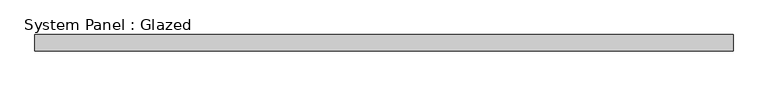
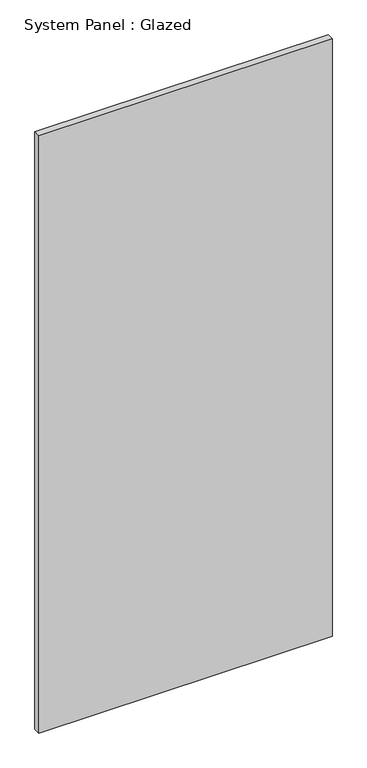
"""IFC4 building model written with IfcOpenShell, lengths in millimetres: plate geometry, System Panel : Glazed."""

import ifcopenshell
import ifcopenshell.guid

model = None  # the IFC model being written
_history = None  # IfcOwnerHistory: only IFC2X3 demands one
_inside = {}  # id of a spatial element -> (the spatial element, [elements in it])
_under = {}  # id of a project, library or spatial element -> (it, [spatial elements below it])
_declared = {}  # id of a project -> (the project, [libraries it declares])
_typed = {}  # id of a type object -> (the type object, [elements of that type])
_made_of = {}  # id of a material, layer set ... -> (it, [elements and type objects made of it])


def new_model(schema):
    """Start an empty IFC model of exactly this schema.

    Asked for "IFC4X3", IfcOpenShell would pick the latest addendum, in which some entities
    have other attributes; the version numbers below select the first issue.
    IFC2X3 requires an IfcOwnerHistory on every rooted entity: one is made here for all.
    """
    global model, _history
    if schema == "IFC4X3":
        model = ifcopenshell.file(schema_version=(4, 3, 0, 0))
    else:
        model = ifcopenshell.file(schema=schema)
    _inside.clear()
    _under.clear()
    _declared.clear()
    _typed.clear()
    _made_of.clear()
    _history = None
    if model.schema == "IFC2X3":
        org = make("IfcOrganization", Name="unknown")
        user = make(
            "IfcPersonAndOrganization",
            ThePerson=make("IfcPerson", FamilyName="unknown"),
            TheOrganization=org,
        )
        app = make(
            "IfcApplication",
            ApplicationDeveloper=org,
            Version="unknown",
            ApplicationFullName="unknown",
            ApplicationIdentifier="unknown",
        )
        _history = make(
            "IfcOwnerHistory",
            OwningUser=user,
            OwningApplication=app,
            ChangeAction="ADDED",
            CreationDate=0,
        )
    return model


def make(cls, **values):
    """One entity of the class cls with the attributes given. An attribute that is None is left unset."""
    return model.create_entity(
        cls, **{name: value for name, value in values.items() if value is not None}
    )


def rooted(cls, **values):
    """An entity with a GlobalId (a new one), such as an element, a storey or a relation."""
    return make(cls, GlobalId=ifcopenshell.guid.new(), OwnerHistory=_history, **values)


def si_unit(unit_type, name, prefix=None):
    """IfcSIUnit, for example si_unit("LENGTHUNIT", "METRE", prefix="MILLI")."""
    return make("IfcSIUnit", UnitType=unit_type, Prefix=prefix, Name=name)


def assignment(units):
    """IfcUnitAssignment: the units of a project."""
    return None if units is None else make("IfcUnitAssignment", Units=units)


def point(xyz):
    """IfcCartesianPoint."""
    return None if xyz is None else make("IfcCartesianPoint", Coordinates=xyz)


def direction(xyz):
    """IfcDirection."""
    return None if xyz is None else make("IfcDirection", DirectionRatios=xyz)


def frame(location, z_axis=None, x_axis=None):
    """IfcAxis2Placement3D, a coordinate frame: its origin and axes. An axis left out is left unset."""
    return make(
        "IfcAxis2Placement3D",
        Location=point(location),
        Axis=direction(z_axis),
        RefDirection=direction(x_axis),
    )


def origin():
    """The frame at (0, 0, 0) with its axes left unset."""
    return frame((0.0, 0.0, 0.0))


def origin_with_axes():
    """The frame at (0, 0, 0) with the z axis (0, 0, 1) and the x axis (1, 0, 0) written out."""
    return frame((0.0, 0.0, 0.0), z_axis=(0.0, 0.0, 1.0), x_axis=(1.0, 0.0, 0.0))


def place(relative_to, where):
    """IfcLocalPlacement: puts the frame where relative to a parent placement (None: the world)."""
    return make(
        "IfcLocalPlacement", PlacementRelTo=relative_to, RelativePlacement=where
    )


def context(
    kind, dimensions, precision=None, world=None, true_north=None, identifier=None
):
    """IfcGeometricRepresentationContext, for example the 3D "Model" context."""
    return make(
        "IfcGeometricRepresentationContext",
        ContextIdentifier=identifier,
        ContextType=kind,
        CoordinateSpaceDimension=dimensions,
        Precision=precision,
        WorldCoordinateSystem=world,
        TrueNorth=true_north,
    )


def project(units=None, contexts=None):
    """IfcProject with its units and contexts."""
    return rooted(
        "IfcProject",
        Name="project",
        RepresentationContexts=contexts,
        UnitsInContext=assignment(units),
    )


def spatial(cls, under=None, at=None, **own):
    """A site, building, storey or space (cls), placed at a placement, below another one or the project."""
    s = rooted(cls, ObjectPlacement=at, **own)
    if under is not None:
        _under.setdefault(under.id(), (under, []))[1].append(s)
    return s


def polyline(points):
    """IfcPolyline through the points."""
    return make("IfcPolyline", Points=[point(p) for p in points])


def outline(outer, holes=None, kind="AREA"):
    """IfcArbitraryClosedProfileDef: a profile drawn as a closed curve; with holes, ...WithVoids."""
    if holes is None:
        return make("IfcArbitraryClosedProfileDef", ProfileType=kind, OuterCurve=outer)
    return make(
        "IfcArbitraryProfileDefWithVoids",
        ProfileType=kind,
        OuterCurve=outer,
        InnerCurves=holes,
    )


def extrude(swept, where, along, depth):
    """IfcExtrudedAreaSolid: the profile swept, set in the frame where, extruded along a direction by depth."""
    return make(
        "IfcExtrudedAreaSolid",
        SweptArea=swept,
        Position=where,
        ExtrudedDirection=direction(along),
        Depth=depth,
    )


def shape(context_of_items, identifier, shape_type, items):
    """IfcShapeRepresentation: the items that make up one representation, for example the "Body"."""
    return make(
        "IfcShapeRepresentation",
        ContextOfItems=context_of_items,
        RepresentationIdentifier=identifier,
        RepresentationType=shape_type,
        Items=items,
    )


def source(mapping_origin, context_of_items, identifier, shape_type, items):
    """IfcRepresentationMap: a shape defined once, which mapped items show again and again."""
    return make(
        "IfcRepresentationMap",
        MappingOrigin=mapping_origin,
        MappedRepresentation=shape(context_of_items, identifier, shape_type, items),
    )


def transform(
    local_origin,
    x_axis=None,
    y_axis=None,
    z_axis=None,
    scale=None,
    scale2=None,
    scale3=None,
    uniform=True,
):
    """IfcCartesianTransformationOperator3D, or its non-uniform kind. x_axis, y_axis, z_axis: its Axis1, 2, 3."""
    if uniform:
        return make(
            "IfcCartesianTransformationOperator3D",
            Axis1=direction(x_axis),
            Axis2=direction(y_axis),
            LocalOrigin=point(local_origin),
            Scale=scale,
            Axis3=direction(z_axis),
        )
    return make(
        "IfcCartesianTransformationOperator3DnonUniform",
        Axis1=direction(x_axis),
        Axis2=direction(y_axis),
        LocalOrigin=point(local_origin),
        Scale=scale,
        Axis3=direction(z_axis),
        Scale2=scale2,
        Scale3=scale3,
    )


def mapped(mapping_source, mapping_target):
    """IfcMappedItem: shows the shape of a source again, moved by a transform."""
    return make(
        "IfcMappedItem", MappingSource=mapping_source, MappingTarget=mapping_target
    )


def made_of(thing, what):
    """Note that an element or type object is made of a material, layer set ...; save() writes the relation."""
    if what is not None:
        _made_of.setdefault(what.id(), (what, []))[1].append(thing)
    return thing


def element(
    cls,
    number,
    at=None,
    inside=None,
    cuts=None,
    type_object=None,
    material=None,
    context=None,
    identifier="Body",
    shape_type=None,
    held_by="IfcProductDefinitionShape",
    body=None,
    shapes=None,
    **own,
):
    """One element of the class cls, such as IfcWall. Its Tag is "e" and its number.

    at: its placement. inside: the storey or other place that contains it. cuts: it is an
    opening in that element (IfcRelVoidsElement). A single representation is given by context,
    identifier, shape_type and body (its items); several are given by shapes. held_by: the class
    of the entity that holds the representations. save() writes the other relations.
    """
    e = rooted(cls, Tag="e%d" % number, ObjectPlacement=at, **own)
    if body is not None:
        shapes = [shape(context, identifier, shape_type, body)]
    if shapes is not None:
        e.Representation = make(held_by, Representations=shapes)
    if inside is not None:
        _inside.setdefault(inside.id(), (inside, []))[1].append(e)
    if cuts is not None:
        rooted(
            "IfcRelVoidsElement", RelatingBuildingElement=cuts, RelatedOpeningElement=e
        )
    if type_object is not None:
        _typed.setdefault(type_object.id(), (type_object, []))[1].append(e)
    return made_of(e, material)


def aggregate(whole, parts):
    """IfcRelAggregates: a whole, such as a stair, and the parts it consists of."""
    return rooted("IfcRelAggregates", RelatingObject=whole, RelatedObjects=parts)


def save(model, path):
    """Write the relations noted so far, then the file.

    IfcRelAggregates (storeys below a building ...), IfcRelContainedInSpatialStructure (elements
    in a storey), IfcRelDefinesByType, IfcRelAssociatesMaterial and IfcRelDeclares: one each for
    every whole, place, type object, material and project.
    """
    for whole, parts in _under.values():
        aggregate(whole, parts)
    for where, things in _inside.values():
        rooted(
            "IfcRelContainedInSpatialStructure",
            RelatedElements=things,
            RelatingStructure=where,
        )
    for kind, things in _typed.values():
        rooted("IfcRelDefinesByType", RelatedObjects=things, RelatingType=kind)
    for what, things in _made_of.values():
        rooted("IfcRelAssociatesMaterial", RelatedObjects=things, RelatingMaterial=what)
    for by, libraries in _declared.values():
        rooted("IfcRelDeclares", RelatingContext=by, RelatedDefinitions=libraries)
    model.write(path)


def system_panel_glazed_28c06a04(model_context):
    return source(origin(), model_context, "Body", "SweptSolid", [
        extrude(outline(polyline([(544.0353371, 19.05), (-544.0353371, 19.05), (-544.0353371, 44.45), (544.0353371, 44.45), (544.0353371, 19.05)])), origin_with_axes(), (0.0, 0.0, 1.0), 2343.15),
    ])


if __name__ == "__main__":
    model = new_model("IFC4")
    model_context = context("Model", 3, world=origin())
    ifc_project = project(units=[si_unit("LENGTHUNIT", "METRE", prefix="MILLI")], contexts=[model_context])
    site = spatial("IfcSite", under=ifc_project)
    building = spatial("IfcBuilding", under=site)
    placement = place(None, origin())
    system_panel_glazed_shape = system_panel_glazed_28c06a04(model_context)
    element("IfcPlate", 1, ObjectType="System Panel : Glazed", at=placement, inside=building, context=model_context, shape_type="MappedRepresentation", body=[
        mapped(system_panel_glazed_shape, transform((0.0, 0.0, 0.0), x_axis=(1.0, 0.0, 0.0), y_axis=(0.0, 1.0, 0.0), z_axis=(0.0, 0.0, 1.0))),
    ])
    save(model, "model.ifc")
